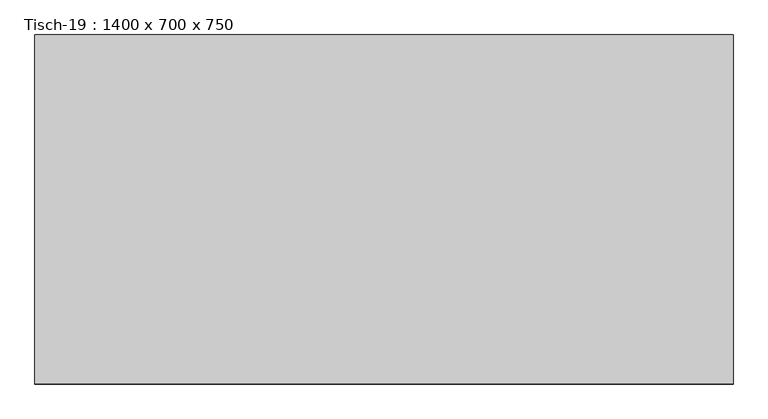
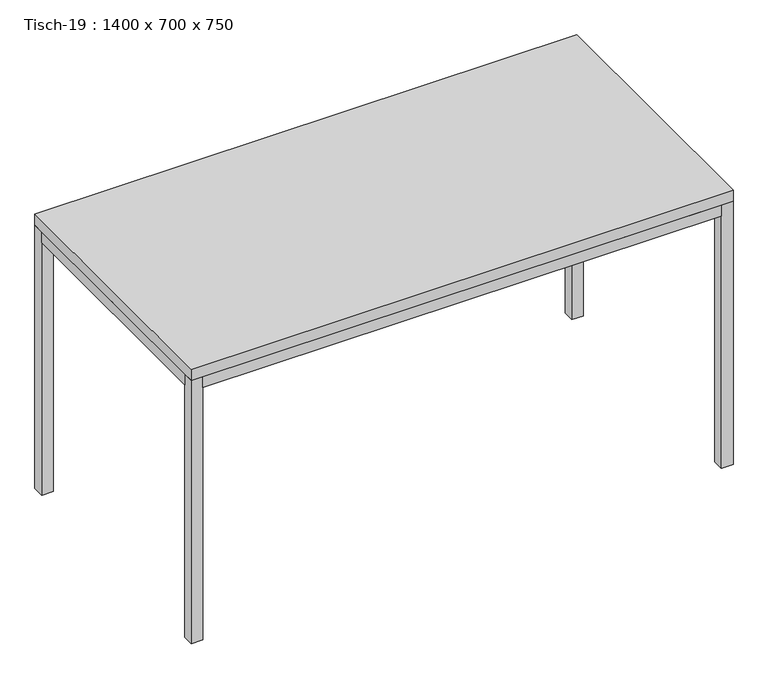
"""IFC4 building model written with IfcOpenShell, lengths in millimetres: furniture geometry, Tisch-19 : 1400 x 700 x 750."""

from ifc_helpers import new_model, si_unit, frame, origin, origin_with_axes, place, context, project, spatial, polyline, outline, extrude, source, transform, mapped, element, save


def tisch_19_1400_x_700_x_750_8892a0bf(model_context):
    return source(origin(), model_context, "Body", "SweptSolid", [
        extrude(outline(polyline([(-186.564671, 350.0), (-186.564671, -350.0), (-1586.564671, -350.0), (-1586.564671, 350.0), (-186.564671, 350.0)])), frame((0.0, 0.0, 720.0), z_axis=(0.0, 0.0, 1.0), x_axis=(1.0, 0.0, 0.0)), (0.0, 0.0, 1.0), 30.0),
        extrude(outline(polyline([(-216.564671, 350.0), (-216.564671, 320.0), (-1556.564671, 320.0), (-1556.564671, 350.0), (-216.564671, 350.0)])), frame((0.0, 0.0, 690.0), z_axis=(0.0, 0.0, 1.0), x_axis=(1.0, 0.0, 0.0)), (0.0, 0.0, 1.0), 30.0),
        extrude(outline(polyline([(-216.564671, -350.0), (-1556.564671, -350.0), (-1556.564671, -320.0), (-216.564671, -320.0), (-216.564671, -350.0)])), frame((0.0, 0.0, 690.0), z_axis=(0.0, 0.0, 1.0), x_axis=(1.0, 0.0, 0.0)), (0.0, 0.0, 1.0), 30.0),
        extrude(outline(polyline([(-1556.564671, 320.0), (-1556.564671, -320.0), (-1586.564671, -320.0), (-1586.564671, 320.0), (-1556.564671, 320.0)])), frame((0.0, 0.0, 690.0), z_axis=(0.0, 0.0, 1.0), x_axis=(1.0, 0.0, 0.0)), (0.0, 0.0, 1.0), 30.0),
        extrude(outline(polyline([(-216.564671, 320.0), (-186.564671, 320.0), (-186.564671, -320.0), (-216.564671, -320.0), (-216.564671, 320.0)])), frame((0.0, 0.0, 690.0), z_axis=(0.0, 0.0, 1.0), x_axis=(1.0, 0.0, 0.0)), (0.0, 0.0, 1.0), 30.0),
        extrude(outline(polyline([(-1556.564671, 350.0), (-1556.564671, 320.0), (-1586.564671, 320.0), (-1586.564671, 350.0), (-1556.564671, 350.0)])), origin_with_axes(), (0.0, 0.0, 1.0), 720.0),
        extrude(outline(polyline([(-1556.564671, -350.0), (-1586.564671, -350.0), (-1586.564671, -320.0), (-1556.564671, -320.0), (-1556.564671, -350.0)])), origin_with_axes(), (0.0, 0.0, 1.0), 720.0),
        extrude(outline(polyline([(-216.564671, 350.0), (-186.564671, 350.0), (-186.564671, 320.0), (-216.564671, 320.0), (-216.564671, 350.0)])), origin_with_axes(), (0.0, 0.0, 1.0), 720.0),
        extrude(outline(polyline([(-216.564671, -350.0), (-216.564671, -320.0), (-186.564671, -320.0), (-186.564671, -350.0), (-216.564671, -350.0)])), origin_with_axes(), (0.0, 0.0, 1.0), 720.0),
    ])


if __name__ == "__main__":
    model = new_model("IFC4")
    model_context = context("Model", 3, world=origin())
    ifc_project = project(units=[si_unit("LENGTHUNIT", "METRE", prefix="MILLI")], contexts=[model_context])
    site = spatial("IfcSite", under=ifc_project)
    building = spatial("IfcBuilding", under=site)
    placement = place(None, origin())
    tisch_19_1400_x_700_x_750_shape = tisch_19_1400_x_700_x_750_8892a0bf(model_context)
    element("IfcFurniture", 1, ObjectType="Tisch-19 : 1400 x 700 x 750", at=placement, inside=building, context=model_context, shape_type="MappedRepresentation", body=[
        mapped(tisch_19_1400_x_700_x_750_shape, transform((0.0, 0.0, 0.0), x_axis=(1.0, 0.0, 0.0), y_axis=(0.0, 1.0, 0.0), z_axis=(0.0, 0.0, 1.0))),
    ])
    save(model, "model.ifc")
